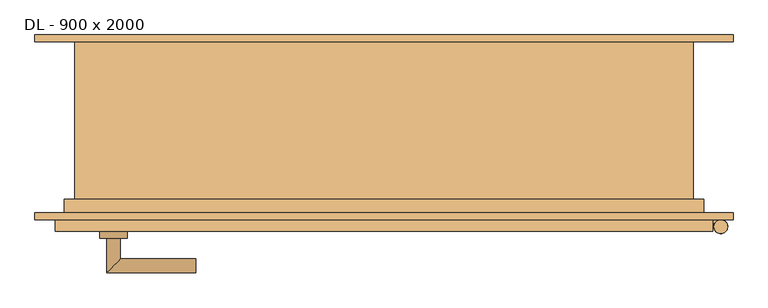
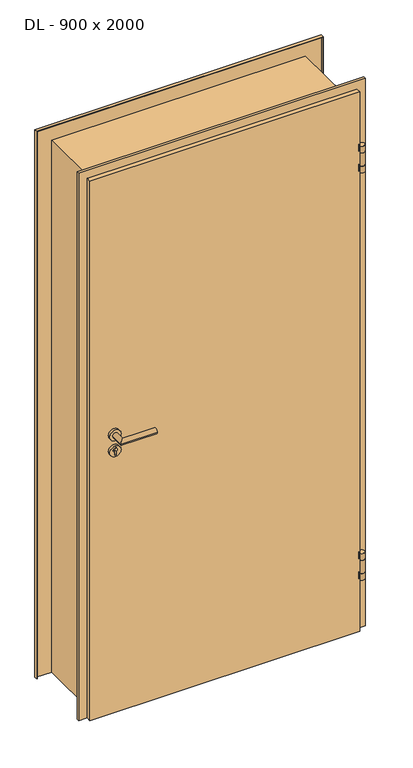
"""IFC4 building model written with IfcOpenShell, lengths in millimetres: door geometry, DL - 900 x 2000."""

from ifc_helpers import new_model, si_unit, point, frame, frame_2d, origin, place, context, project, spatial, polyline, circle_curve, ellipse_curve, trimmed, segment, composite_curve, outline, extrude, faceted_brep, source, transform, mapped, element, save
from ifc_brep_helpers import plane_surface, cylinder_surface, advanced_brep


def dl_900_x_2000_a34b3dcb(model_context):
    return source(origin(), model_context, "Body", "SolidModel", [
        faceted_brep([(480.0, -152.0, 0.0), (-480.0, -152.0, 0.0), (-480.0, -135.0, 0.0), (-465.0, -135.0, 0.0), (-465.0, -107.0, 0.0), (465.0, -107.0, 0.0), (465.0, -135.0, 0.0), (480.0, -135.0, 0.0), (480.0, -152.0, 2030.0), (-480.0, -152.0, 2030.0), (-480.0, -135.0, 2030.0), (-465.0, -135.0, 2015.0), (480.0, -135.0, 2030.0), (465.0, -135.0, 2015.0), (-465.0, -107.0, 2015.0), (465.0, -107.0, 2015.0)], [[[0, 1, 2, 3, 4, 5, 6, 7]], [[8, 9, 1, 0]], [[1, 9, 10, 2]], [[11, 3, 2, 10, 12, 7, 6, 13]], [[3, 11, 14, 4]], [[5, 4, 14, 15]], [[13, 6, 5, 15]], [[8, 0, 7, 12]], [[9, 8, 12, 10]], [[11, 13, 15, 14]]]),
        extrude(outline(composite_curve([segment(trimmed(circle_curve(frame_2d((492.0, -145.0)), 10.0), [point((482.0, -145.0))], [point((502.0, -145.0))], False, "CARTESIAN"), True, "CONTINUOUS"), segment(trimmed(circle_curve(frame_2d((492.0, -145.0)), 10.0), [point((502.0, -145.0))], [point((482.0, -145.0))], False, "CARTESIAN"), True, "CONTINUOUS")], self_intersect=False)), frame((0.0, 0.0, 1799.0), z_axis=(0.0, 0.0, 1.0), x_axis=(1.0, 0.0, 0.0)), (0.0, 0.0, 1.0), 25.0),
        extrude(outline(composite_curve([segment(trimmed(circle_curve(frame_2d((492.0, -145.0)), 10.0), [point((492.0, -135.0))], [point((483.339746, -140.0))], False, "CARTESIAN"), True, "CONTINUOUS"), segment(polyline([(483.339746, -140.0), (480.0, -140.0), (480.0, -135.0), (492.0, -135.0)]), True, "CONTINUOUS")], self_intersect=False)), frame((0.0, 0.0, 1749.0), z_axis=(0.0, 0.0, 1.0), x_axis=(1.0, 0.0, 0.0)), (0.0, 0.0, 1.0), 50.0),
        extrude(outline(composite_curve([segment(trimmed(circle_curve(frame_2d((492.0, -145.0)), 10.0), [point((482.0, -145.0))], [point((502.0, -145.0))], False, "CARTESIAN"), True, "CONTINUOUS"), segment(trimmed(circle_curve(frame_2d((492.0, -145.0)), 10.0), [point((502.0, -145.0))], [point((482.0, -145.0))], False, "CARTESIAN"), True, "CONTINUOUS")], self_intersect=False)), frame((0.0, 0.0, 1724.0), z_axis=(0.0, 0.0, 1.0), x_axis=(1.0, 0.0, 0.0)), (0.0, 0.0, 1.0), 25.0),
        extrude(outline(composite_curve([segment(trimmed(circle_curve(frame_2d((492.0, -145.0)), 10.0), [point((482.0, -145.0))], [point((502.0, -145.0))], False, "CARTESIAN"), True, "CONTINUOUS"), segment(trimmed(circle_curve(frame_2d((492.0, -145.0)), 10.0), [point((502.0, -145.0))], [point((482.0, -145.0))], False, "CARTESIAN"), True, "CONTINUOUS")], self_intersect=False)), frame((0.0, 0.0, 266.0), z_axis=(0.0, 0.0, 1.0), x_axis=(1.0, 0.0, 0.0)), (0.0, 0.0, 1.0), 25.0),
        extrude(outline(composite_curve([segment(trimmed(circle_curve(frame_2d((492.0, -145.0)), 10.0), [point((492.0, -135.0))], [point((483.339746, -140.0))], False, "CARTESIAN"), True, "CONTINUOUS"), segment(polyline([(483.339746, -140.0), (480.0, -140.0), (480.0, -135.0), (492.0, -135.0)]), True, "CONTINUOUS")], self_intersect=False)), frame((0.0, 0.0, 216.0), z_axis=(0.0, 0.0, 1.0), x_axis=(1.0, 0.0, 0.0)), (0.0, 0.0, 1.0), 50.0),
        extrude(outline(composite_curve([segment(trimmed(circle_curve(frame_2d((492.0, -145.0)), 10.0), [point((482.0, -145.0))], [point((502.0, -145.0))], False, "CARTESIAN"), True, "CONTINUOUS"), segment(trimmed(circle_curve(frame_2d((492.0, -145.0)), 10.0), [point((502.0, -145.0))], [point((482.0, -145.0))], False, "CARTESIAN"), True, "CONTINUOUS")], self_intersect=False)), frame((0.0, 0.0, 191.0), z_axis=(0.0, 0.0, 1.0), x_axis=(1.0, 0.0, 0.0)), (0.0, 0.0, 1.0), 25.0),
        advanced_brep(
        [(-385.0, -162.0, 1050.0), (-405.0, -162.0, 1050.0), (-405.0, -212.0, 1050.0), (-385.0, -192.0, 1050.0), (-275.0, -192.0, 1050.0), (-275.0, -212.0, 1050.0)],
        [
            (0, 1, circle_curve(frame((-395.0, -162.0, 1050.0), z_axis=(0.0, 1.0, 0.0), x_axis=(-1.0, 0.0, 0.0)), 10.0)),
            (1, 0, circle_curve(frame((-395.0, -162.0, 1050.0), z_axis=(0.0, 1.0, 0.0), x_axis=(-1.0, 0.0, 0.0)), 10.0)),
            (1, 2),
            (2, 3, ellipse_curve(frame((-395.0, -202.0, 1050.0), z_axis=(-0.7071067811865531, 0.7071067811865419, 0.0), x_axis=(0.707106781186542, 0.707106781186553, 0.0)), 14.1421356, 10.0)),
            (3, 0),
            (3, 2, ellipse_curve(frame((-395.0, -202.0, 1050.0), z_axis=(-0.7071067811865531, 0.7071067811865419, 0.0), x_axis=(0.707106781186542, 0.707106781186553, 0.0)), 14.1421356, 10.0)),
            (4, 5, circle_curve(frame((-275.0, -202.0, 1050.0), z_axis=(1.0, 0.0, 0.0), x_axis=(0.0, -1.0, 0.0)), 10.0)),
            (5, 4, circle_curve(frame((-275.0, -202.0, 1050.0), z_axis=(1.0, 0.0, 0.0), x_axis=(0.0, -1.0, 0.0)), 10.0)),
            (2, 5),
            (4, 3),
        ],
        [
            plane_surface(frame((-395.0, -162.0, 1050.0), z_axis=(0.0, 1.0, 0.0), x_axis=(0.0, 0.0, 1.0))),
            cylinder_surface(frame((-395.0, -162.0, 1050.0), z_axis=(0.0, 1.0, 0.0), x_axis=(-1.0, 0.0, 0.0)), 10.0),
            plane_surface(frame((-275.0, -202.0, 1050.0), z_axis=(1.0, 0.0, 0.0), x_axis=(0.0, 0.0, 1.0))),
            cylinder_surface(frame((-395.0, -202.0, 1050.0), z_axis=(-1.0, 0.0, 0.0), x_axis=(0.0, -1.0, 0.0)), 10.0),
        ],
        [
            (0, [[1, 2]]),
            (1, [[3, 4, 5, -2]]),
            (1, [[-5, 6, -3, -1]]),
            (2, [[7, 8]]),
            (3, [[9, -7, 10, -4]]),
            (3, [[-10, -8, -9, -6]]),
        ],
    ),
        extrude(outline(composite_curve([segment(trimmed(circle_curve(frame_2d((990.0, -395.0)), 20.0), [point((990.0, -415.0))], [point((990.0, -375.0))], False, "CARTESIAN"), True, "CONTINUOUS"), segment(trimmed(circle_curve(frame_2d((990.0, -395.0)), 20.0), [point((990.0, -375.0))], [point((990.0, -415.0))], False, "CARTESIAN"), True, "CONTINUOUS")], self_intersect=False), holes=[composite_curve([segment(polyline([(976.4601385, -397.397268), (988.4749012, -397.397268)]), True, "CONTINUOUS"), segment(trimmed(circle_curve(frame_2d((995.0361633, -395.0)), 6.9854888), [point((988.4749012, -397.397268))], [point((988.4749012, -392.602732))], True, "CARTESIAN"), True, "CONTINUOUS"), segment(polyline([(988.4749012, -392.602732), (976.4601385, -392.602732)]), True, "CONTINUOUS"), segment(trimmed(circle_curve(frame_2d((976.4601385, -395.0)), 2.397268), [point((976.4601385, -392.602732))], [point((976.4601385, -397.397268))], True, "CARTESIAN"), True, "CONTINUOUS")], self_intersect=False)]), frame((0.0, -162.0, 0.0), z_axis=(0.0, 1.0, 0.0), x_axis=(0.0, 0.0, 1.0)), (0.0, 0.0, 1.0), 10.0),
        advanced_brep(
        [(-385.0, -162.0, 1050.0), (-405.0, -162.0, 1050.0), (-405.0, -212.0, 1050.0), (-385.0, -192.0, 1050.0), (-275.0, -192.0, 1050.0), (-275.0, -212.0, 1050.0)],
        [
            (0, 1, circle_curve(frame((-395.0, -162.0, 1050.0), z_axis=(0.0, 1.0, 0.0), x_axis=(-1.0, 0.0, 0.0)), 10.0)),
            (1, 0, circle_curve(frame((-395.0, -162.0, 1050.0), z_axis=(0.0, 1.0, 0.0), x_axis=(-1.0, 0.0, 0.0)), 10.0)),
            (1, 2),
            (2, 3, ellipse_curve(frame((-395.0, -202.0, 1050.0), z_axis=(-0.7071067811865537, 0.7071067811865414, 0.0), x_axis=(0.7071067811865414, 0.7071067811865536, 0.0)), 14.1421356, 10.0)),
            (3, 0),
            (3, 2, ellipse_curve(frame((-395.0, -202.0, 1050.0), z_axis=(-0.7071067811865537, 0.7071067811865414, 0.0), x_axis=(0.7071067811865414, 0.7071067811865536, 0.0)), 14.1421356, 10.0)),
            (4, 5, circle_curve(frame((-275.0, -202.0, 1050.0), z_axis=(1.0, 0.0, 0.0), x_axis=(0.0, -1.0, 0.0)), 10.0)),
            (5, 4, circle_curve(frame((-275.0, -202.0, 1050.0), z_axis=(1.0, 0.0, 0.0), x_axis=(0.0, -1.0, 0.0)), 10.0)),
            (2, 5),
            (4, 3),
        ],
        [
            plane_surface(frame((-395.0, -162.0, 1050.0), z_axis=(0.0, 1.0, 0.0), x_axis=(0.0, 0.0, 1.0))),
            cylinder_surface(frame((-395.0, -162.0, 1050.0), z_axis=(0.0, 1.0, 0.0), x_axis=(-1.0, 0.0, 0.0)), 10.0),
            plane_surface(frame((-275.0, -202.0, 1050.0), z_axis=(1.0, 0.0, 0.0), x_axis=(0.0, 0.0, 1.0))),
            cylinder_surface(frame((-395.0, -202.0, 1050.0), z_axis=(-1.0, 0.0, 0.0), x_axis=(0.0, -1.0, 0.0)), 10.0),
        ],
        [
            (0, [[1, 2]]),
            (1, [[3, 4, 5, -2]]),
            (1, [[-5, 6, -3, -1]]),
            (2, [[7, 8]]),
            (3, [[9, -7, 10, -4]]),
            (3, [[-10, -8, -9, -6]]),
        ],
    ),
        extrude(outline(composite_curve([segment(trimmed(circle_curve(frame_2d((1050.0, -395.0)), 20.0), [point((1050.0, -415.0))], [point((1050.0, -375.0))], False, "CARTESIAN"), True, "CONTINUOUS"), segment(trimmed(circle_curve(frame_2d((1050.0, -395.0)), 20.0), [point((1050.0, -375.0))], [point((1050.0, -415.0))], False, "CARTESIAN"), True, "CONTINUOUS")], self_intersect=False)), frame((0.0, -162.0, 0.0), z_axis=(0.0, 1.0, 0.0), x_axis=(0.0, 0.0, 1.0)), (0.0, 0.0, 1.0), 10.0),
        advanced_brep(
        [(-385.0, -97.0, 1050.0), (-405.0, -97.0, 1050.0), (-385.0, -67.0, 1050.0), (-405.0, -47.0, 1050.0), (-275.0, -67.0, 1050.0), (-275.0, -47.0, 1050.0)],
        [
            (0, 1, circle_curve(frame((-395.0, -97.0, 1050.0), z_axis=(0.0, -1.0, 0.0), x_axis=(-1.0, 0.0, 0.0)), 10.0)),
            (1, 0, circle_curve(frame((-395.0, -97.0, 1050.0), z_axis=(0.0, -1.0, 0.0), x_axis=(-1.0, 0.0, 0.0)), 10.0)),
            (0, 2),
            (2, 3, ellipse_curve(frame((-395.0, -57.0, 1050.0), z_axis=(-0.7071067811865486, -0.7071067811865464, 0.0), x_axis=(0.7071067811865464, -0.7071067811865488, 0.0)), 14.1421356, 10.0)),
            (3, 1),
            (3, 2, ellipse_curve(frame((-395.0, -57.0, 1050.0), z_axis=(-0.7071067811865486, -0.7071067811865464, 0.0), x_axis=(0.7071067811865464, -0.7071067811865488, 0.0)), 14.1421356, 10.0)),
            (4, 5, circle_curve(frame((-275.0, -57.0, 1050.0), z_axis=(1.0, 0.0, 0.0), x_axis=(0.0, 1.0, 0.0)), 10.0)),
            (5, 4, circle_curve(frame((-275.0, -57.0, 1050.0), z_axis=(1.0, 0.0, 0.0), x_axis=(0.0, 1.0, 0.0)), 10.0)),
            (2, 4),
            (5, 3),
        ],
        [
            plane_surface(frame((-395.0, -97.0, 1050.0), z_axis=(0.0, -1.0, 0.0), x_axis=(0.0, 0.0, 1.0))),
            cylinder_surface(frame((-395.0, -97.0, 1050.0), z_axis=(0.0, -1.0, 0.0), x_axis=(-1.0, 0.0, 0.0)), 10.0),
            plane_surface(frame((-275.0, -57.0, 1050.0), z_axis=(1.0, 0.0, 0.0), x_axis=(0.0, 0.0, 1.0))),
            cylinder_surface(frame((-395.0, -57.0, 1050.0), z_axis=(-1.0, 0.0, 0.0), x_axis=(0.0, 1.0, 0.0)), 10.0),
        ],
        [
            (0, [[1, 2]]),
            (1, [[-1, 3, 4, 5]]),
            (1, [[-2, -5, 6, -3]]),
            (2, [[7, 8]]),
            (3, [[-4, 9, -8, 10]]),
            (3, [[-6, -10, -7, -9]]),
        ],
    ),
        extrude(outline(composite_curve([segment(trimmed(circle_curve(frame_2d((990.0, -395.0)), 20.0), [point((990.0, -415.0))], [point((990.0, -375.0))], False, "CARTESIAN"), True, "CONTINUOUS"), segment(trimmed(circle_curve(frame_2d((990.0, -395.0)), 20.0), [point((990.0, -375.0))], [point((990.0, -415.0))], False, "CARTESIAN"), True, "CONTINUOUS")], self_intersect=False), holes=[composite_curve([segment(polyline([(976.4601385, -397.397268), (988.4749012, -397.397268)]), True, "CONTINUOUS"), segment(trimmed(circle_curve(frame_2d((995.0361633, -395.0)), 6.9854888), [point((988.4749012, -397.397268))], [point((988.4749012, -392.602732))], True, "CARTESIAN"), True, "CONTINUOUS"), segment(polyline([(988.4749012, -392.602732), (976.4601385, -392.602732)]), True, "CONTINUOUS"), segment(trimmed(circle_curve(frame_2d((976.4601385, -395.0)), 2.397268), [point((976.4601385, -392.602732))], [point((976.4601385, -397.397268))], True, "CARTESIAN"), True, "CONTINUOUS")], self_intersect=False)]), frame((0.0, -107.0, 0.0), z_axis=(0.0, 1.0, 0.0), x_axis=(0.0, 0.0, 1.0)), (0.0, 0.0, 1.0), 10.0),
        advanced_brep(
        [(-385.0, -97.0, 1050.0), (-405.0, -97.0, 1050.0), (-385.0, -67.0, 1050.0), (-405.0, -47.0, 1050.0), (-275.0, -67.0, 1050.0), (-275.0, -47.0, 1050.0)],
        [
            (0, 1, circle_curve(frame((-395.0, -97.0, 1050.0), z_axis=(0.0, -1.0, 0.0), x_axis=(-1.0, 0.0, 0.0)), 10.0)),
            (1, 0, circle_curve(frame((-395.0, -97.0, 1050.0), z_axis=(0.0, -1.0, 0.0), x_axis=(-1.0, 0.0, 0.0)), 10.0)),
            (0, 2),
            (2, 3, ellipse_curve(frame((-395.0, -57.0, 1050.0), z_axis=(-0.7071067811865491, -0.7071067811865459, 0.0), x_axis=(0.7071067811865458, -0.7071067811865492, 0.0)), 14.1421356, 10.0)),
            (3, 1),
            (3, 2, ellipse_curve(frame((-395.0, -57.0, 1050.0), z_axis=(-0.7071067811865491, -0.7071067811865459, 0.0), x_axis=(0.7071067811865458, -0.7071067811865492, 0.0)), 14.1421356, 10.0)),
            (4, 5, circle_curve(frame((-275.0, -57.0, 1050.0), z_axis=(1.0, 0.0, 0.0), x_axis=(0.0, 1.0, 0.0)), 10.0)),
            (5, 4, circle_curve(frame((-275.0, -57.0, 1050.0), z_axis=(1.0, 0.0, 0.0), x_axis=(0.0, 1.0, 0.0)), 10.0)),
            (2, 4),
            (5, 3),
        ],
        [
            plane_surface(frame((-395.0, -97.0, 1050.0), z_axis=(0.0, -1.0, 0.0), x_axis=(0.0, 0.0, 1.0))),
            cylinder_surface(frame((-395.0, -97.0, 1050.0), z_axis=(0.0, -1.0, 0.0), x_axis=(-1.0, 0.0, 0.0)), 10.0),
            plane_surface(frame((-275.0, -57.0, 1050.0), z_axis=(1.0, 0.0, 0.0), x_axis=(0.0, 0.0, 1.0))),
            cylinder_surface(frame((-395.0, -57.0, 1050.0), z_axis=(-1.0, 0.0, 0.0), x_axis=(0.0, 1.0, 0.0)), 10.0),
        ],
        [
            (0, [[1, 2]]),
            (1, [[-1, 3, 4, 5]]),
            (1, [[-2, -5, 6, -3]]),
            (2, [[7, 8]]),
            (3, [[-4, 9, -8, 10]]),
            (3, [[-6, -10, -7, -9]]),
        ],
    ),
        extrude(outline(composite_curve([segment(trimmed(circle_curve(frame_2d((1050.0, -395.0)), 20.0), [point((1050.0, -415.0))], [point((1050.0, -375.0))], False, "CARTESIAN"), True, "CONTINUOUS"), segment(trimmed(circle_curve(frame_2d((1050.0, -395.0)), 20.0), [point((1050.0, -375.0))], [point((1050.0, -415.0))], False, "CARTESIAN"), True, "CONTINUOUS")], self_intersect=False)), frame((0.0, -107.0, 0.0), z_axis=(0.0, 1.0, 0.0), x_axis=(0.0, 0.0, 1.0)), (0.0, 0.0, 1.0), 10.0),
        faceted_brep([(-465.0, -135.0, 0.0), (-510.0, -135.0, 0.0), (-510.0, -125.0, 0.0), (-508.0, -125.0, 0.0), (-508.0, -133.0, 0.0), (-467.0, -133.0, 0.0), (-467.0, -105.0, 0.0), (-452.0, -105.0, 0.0), (-452.0, 133.0, 0.0), (-508.0, 133.0, 0.0), (-508.0, 125.0, 0.0), (-510.0, 125.0, 0.0), (-510.0, 135.0, 0.0), (-450.0, 135.0, 0.0), (-450.0, -107.0, 0.0), (-465.0, -107.0, 0.0), (-465.0, -107.0, 2015.0), (-465.0, -135.0, 2015.0), (-450.0, -107.0, 2000.0), (450.0, -107.0, 2000.0), (450.0, -107.0, 0.0), (465.0, -107.0, 0.0), (465.0, -107.0, 2015.0), (-450.0, 135.0, 2000.0), (-510.0, 135.0, 2060.0), (510.0, 135.0, 2060.0), (510.0, 135.0, 0.0), (450.0, 135.0, 0.0), (450.0, 135.0, 2000.0), (-510.0, 125.0, 2060.0), (-508.0, 125.0, 2058.0), (508.0, 125.0, 2058.0), (508.0, 125.0, 0.0), (510.0, 125.0, 0.0), (510.0, 125.0, 2060.0), (-508.0, 133.0, 2058.0), (-452.0, 133.0, 2002.0), (452.0, 133.0, 2002.0), (452.0, 133.0, 0.0), (508.0, 133.0, 0.0), (508.0, 133.0, 2058.0), (-452.0, -105.0, 2002.0), (-467.0, -105.0, 2017.0), (467.0, -105.0, 2017.0), (467.0, -105.0, 0.0), (452.0, -105.0, 0.0), (452.0, -105.0, 2002.0), (-467.0, -133.0, 2017.0), (-508.0, -133.0, 2058.0), (508.0, -133.0, 2058.0), (508.0, -133.0, 0.0), (467.0, -133.0, 0.0), (467.0, -133.0, 2017.0), (-508.0, -125.0, 2058.0), (-510.0, -125.0, 2060.0), (510.0, -125.0, 2060.0), (510.0, -125.0, 0.0), (508.0, -125.0, 0.0), (508.0, -125.0, 2058.0), (-510.0, -135.0, 2060.0), (465.0, -135.0, 2015.0), (465.0, -135.0, 0.0), (510.0, -135.0, 0.0), (510.0, -135.0, 2060.0)], [[[0, 1, 2, 3, 4, 5, 6, 7, 8, 9, 10, 11, 12, 13, 14, 15]], [[15, 16, 17, 0]], [[14, 18, 19, 20, 21, 22, 16, 15]], [[13, 23, 18, 14]], [[12, 24, 25, 26, 27, 28, 23, 13]], [[11, 29, 24, 12]], [[10, 30, 31, 32, 33, 34, 29, 11]], [[9, 35, 30, 10]], [[8, 36, 37, 38, 39, 40, 35, 9]], [[7, 41, 36, 8]], [[6, 42, 43, 44, 45, 46, 41, 7]], [[5, 47, 42, 6]], [[4, 48, 49, 50, 51, 52, 47, 5]], [[3, 53, 48, 4]], [[2, 54, 55, 56, 57, 58, 53, 3]], [[1, 59, 54, 2]], [[0, 17, 60, 61, 62, 63, 59, 1]], [[63, 62, 56, 55]], [[61, 21, 20, 27, 26, 33, 32, 39, 38, 45, 44, 51, 50, 57, 56, 62]], [[22, 21, 61, 60]], [[28, 27, 20, 19]], [[34, 33, 26, 25]], [[58, 57, 50, 49]], [[52, 51, 44, 43]], [[46, 45, 38, 37]], [[40, 39, 32, 31]], [[23, 28, 19, 18]], [[16, 22, 60, 17]], [[59, 63, 55, 54]], [[53, 58, 49, 48]], [[47, 52, 43, 42]], [[41, 46, 37, 36]], [[35, 40, 31, 30]], [[29, 34, 25, 24]]]),
    ])


if __name__ == "__main__":
    model = new_model("IFC4")
    model_context = context("Model", 3, world=origin())
    ifc_project = project(units=[si_unit("LENGTHUNIT", "METRE", prefix="MILLI")], contexts=[model_context])
    site = spatial("IfcSite", under=ifc_project)
    building = spatial("IfcBuilding", under=site)
    placement = place(None, origin())
    dl_900_x_2000_shape = dl_900_x_2000_a34b3dcb(model_context)
    element("IfcDoor", 1, ObjectType="DL - 900 x 2000", at=placement, inside=building, context=model_context, shape_type="MappedRepresentation", body=[
        mapped(dl_900_x_2000_shape, transform((0.0, 0.0, 0.0), x_axis=(1.0, 0.0, 0.0), y_axis=(0.0, 1.0, 0.0), z_axis=(0.0, 0.0, 1.0))),
    ])
    save(model, "model.ifc")
